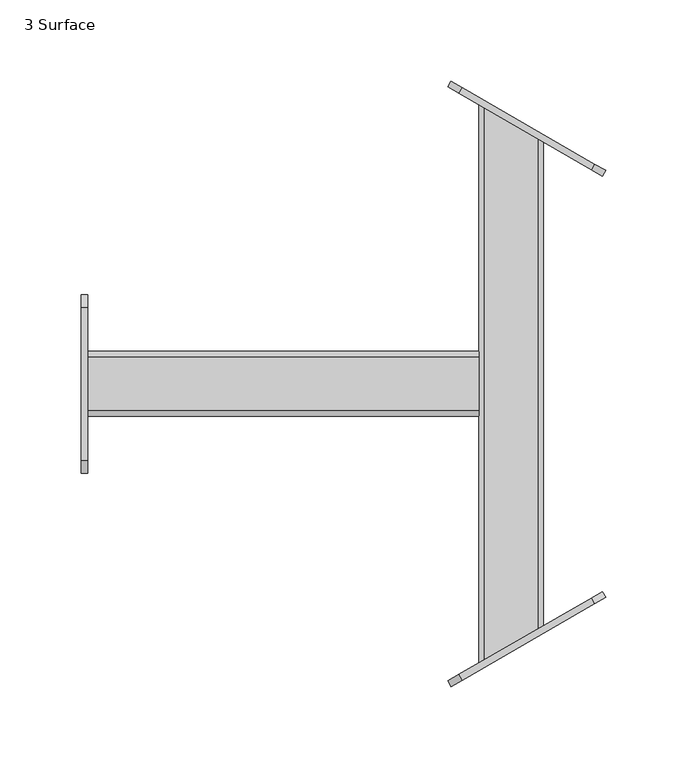
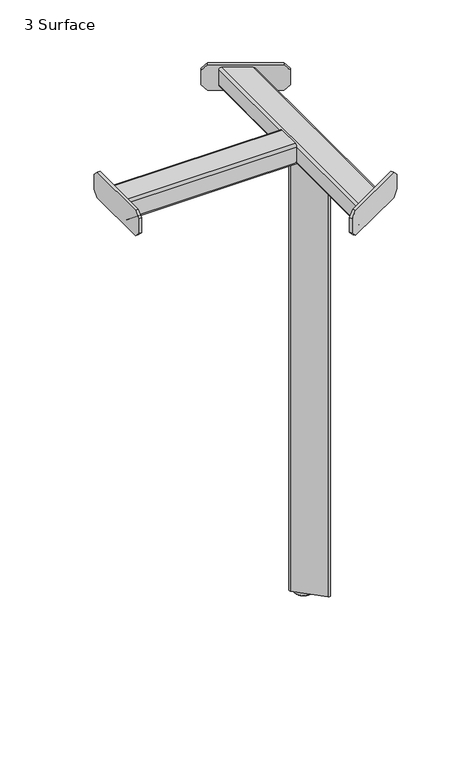
"""IFC4 building model written with IfcOpenShell, lengths in millimetres: furniture geometry, 3 Surface."""

import ifcopenshell
import ifcopenshell.guid

model = None  # the IFC model being written
_history = None  # IfcOwnerHistory: only IFC2X3 demands one
_inside = {}  # id of a spatial element -> (the spatial element, [elements in it])
_under = {}  # id of a project, library or spatial element -> (it, [spatial elements below it])
_declared = {}  # id of a project -> (the project, [libraries it declares])
_typed = {}  # id of a type object -> (the type object, [elements of that type])
_made_of = {}  # id of a material, layer set ... -> (it, [elements and type objects made of it])


def new_model(schema):
    """Start an empty IFC model of exactly this schema.

    Asked for "IFC4X3", IfcOpenShell would pick the latest addendum, in which some entities
    have other attributes; the version numbers below select the first issue.
    IFC2X3 requires an IfcOwnerHistory on every rooted entity: one is made here for all.
    """
    global model, _history
    if schema == "IFC4X3":
        model = ifcopenshell.file(schema_version=(4, 3, 0, 0))
    else:
        model = ifcopenshell.file(schema=schema)
    _inside.clear()
    _under.clear()
    _declared.clear()
    _typed.clear()
    _made_of.clear()
    _history = None
    if model.schema == "IFC2X3":
        org = make("IfcOrganization", Name="unknown")
        user = make(
            "IfcPersonAndOrganization",
            ThePerson=make("IfcPerson", FamilyName="unknown"),
            TheOrganization=org,
        )
        app = make(
            "IfcApplication",
            ApplicationDeveloper=org,
            Version="unknown",
            ApplicationFullName="unknown",
            ApplicationIdentifier="unknown",
        )
        _history = make(
            "IfcOwnerHistory",
            OwningUser=user,
            OwningApplication=app,
            ChangeAction="ADDED",
            CreationDate=0,
        )
    return model


def make(cls, **values):
    """One entity of the class cls with the attributes given. An attribute that is None is left unset."""
    return model.create_entity(
        cls, **{name: value for name, value in values.items() if value is not None}
    )


def rooted(cls, **values):
    """An entity with a GlobalId (a new one), such as an element, a storey or a relation."""
    return make(cls, GlobalId=ifcopenshell.guid.new(), OwnerHistory=_history, **values)


def si_unit(unit_type, name, prefix=None):
    """IfcSIUnit, for example si_unit("LENGTHUNIT", "METRE", prefix="MILLI")."""
    return make("IfcSIUnit", UnitType=unit_type, Prefix=prefix, Name=name)


def assignment(units):
    """IfcUnitAssignment: the units of a project."""
    return None if units is None else make("IfcUnitAssignment", Units=units)


def point(xyz):
    """IfcCartesianPoint."""
    return None if xyz is None else make("IfcCartesianPoint", Coordinates=xyz)


def direction(xyz):
    """IfcDirection."""
    return None if xyz is None else make("IfcDirection", DirectionRatios=xyz)


def frame(location, z_axis=None, x_axis=None):
    """IfcAxis2Placement3D, a coordinate frame: its origin and axes. An axis left out is left unset."""
    return make(
        "IfcAxis2Placement3D",
        Location=point(location),
        Axis=direction(z_axis),
        RefDirection=direction(x_axis),
    )


def frame_2d(location, x_axis=None):
    """IfcAxis2Placement2D, a coordinate frame in the plane: its origin and x axis."""
    return make(
        "IfcAxis2Placement2D", Location=point(location), RefDirection=direction(x_axis)
    )


def origin():
    """The frame at (0, 0, 0) with its axes left unset."""
    return frame((0.0, 0.0, 0.0))


def place(relative_to, where):
    """IfcLocalPlacement: puts the frame where relative to a parent placement (None: the world)."""
    return make(
        "IfcLocalPlacement", PlacementRelTo=relative_to, RelativePlacement=where
    )


def context(
    kind, dimensions, precision=None, world=None, true_north=None, identifier=None
):
    """IfcGeometricRepresentationContext, for example the 3D "Model" context."""
    return make(
        "IfcGeometricRepresentationContext",
        ContextIdentifier=identifier,
        ContextType=kind,
        CoordinateSpaceDimension=dimensions,
        Precision=precision,
        WorldCoordinateSystem=world,
        TrueNorth=true_north,
    )


def project(units=None, contexts=None):
    """IfcProject with its units and contexts."""
    return rooted(
        "IfcProject",
        Name="project",
        RepresentationContexts=contexts,
        UnitsInContext=assignment(units),
    )


def spatial(cls, under=None, at=None, **own):
    """A site, building, storey or space (cls), placed at a placement, below another one or the project."""
    s = rooted(cls, ObjectPlacement=at, **own)
    if under is not None:
        _under.setdefault(under.id(), (under, []))[1].append(s)
    return s


def polyline(points):
    """IfcPolyline through the points."""
    return make("IfcPolyline", Points=[point(p) for p in points])


def circle_curve(where, radius):
    """IfcCircle in the frame where."""
    return make("IfcCircle", Position=where, Radius=radius)


def ellipse_curve(where, semi_axis1, semi_axis2):
    """IfcEllipse in the frame where."""
    return make(
        "IfcEllipse", Position=where, SemiAxis1=semi_axis1, SemiAxis2=semi_axis2
    )


def trimmed(basis, trim1, trim2, sense, master):
    """IfcTrimmedCurve: the piece of a basis curve between two trims."""
    return make(
        "IfcTrimmedCurve",
        BasisCurve=basis,
        Trim1=trim1,
        Trim2=trim2,
        SenseAgreement=sense,
        MasterRepresentation=master,
    )


def segment(curve, same_sense, transition):
    """IfcCompositeCurveSegment."""
    return make(
        "IfcCompositeCurveSegment",
        Transition=transition,
        SameSense=same_sense,
        ParentCurve=curve,
    )


def composite_curve(segments, self_intersect=None):
    """IfcCompositeCurve: segments joined end to end."""
    return make("IfcCompositeCurve", Segments=segments, SelfIntersect=self_intersect)


def outline(outer, holes=None, kind="AREA"):
    """IfcArbitraryClosedProfileDef: a profile drawn as a closed curve; with holes, ...WithVoids."""
    if holes is None:
        return make("IfcArbitraryClosedProfileDef", ProfileType=kind, OuterCurve=outer)
    return make(
        "IfcArbitraryProfileDefWithVoids",
        ProfileType=kind,
        OuterCurve=outer,
        InnerCurves=holes,
    )


def extrude(swept, where, along, depth):
    """IfcExtrudedAreaSolid: the profile swept, set in the frame where, extruded along a direction by depth."""
    return make(
        "IfcExtrudedAreaSolid",
        SweptArea=swept,
        Position=where,
        ExtrudedDirection=direction(along),
        Depth=depth,
    )


def shape(context_of_items, identifier, shape_type, items):
    """IfcShapeRepresentation: the items that make up one representation, for example the "Body"."""
    return make(
        "IfcShapeRepresentation",
        ContextOfItems=context_of_items,
        RepresentationIdentifier=identifier,
        RepresentationType=shape_type,
        Items=items,
    )


def source(mapping_origin, context_of_items, identifier, shape_type, items):
    """IfcRepresentationMap: a shape defined once, which mapped items show again and again."""
    return make(
        "IfcRepresentationMap",
        MappingOrigin=mapping_origin,
        MappedRepresentation=shape(context_of_items, identifier, shape_type, items),
    )


def transform(
    local_origin,
    x_axis=None,
    y_axis=None,
    z_axis=None,
    scale=None,
    scale2=None,
    scale3=None,
    uniform=True,
):
    """IfcCartesianTransformationOperator3D, or its non-uniform kind. x_axis, y_axis, z_axis: its Axis1, 2, 3."""
    if uniform:
        return make(
            "IfcCartesianTransformationOperator3D",
            Axis1=direction(x_axis),
            Axis2=direction(y_axis),
            LocalOrigin=point(local_origin),
            Scale=scale,
            Axis3=direction(z_axis),
        )
    return make(
        "IfcCartesianTransformationOperator3DnonUniform",
        Axis1=direction(x_axis),
        Axis2=direction(y_axis),
        LocalOrigin=point(local_origin),
        Scale=scale,
        Axis3=direction(z_axis),
        Scale2=scale2,
        Scale3=scale3,
    )


def mapped(mapping_source, mapping_target):
    """IfcMappedItem: shows the shape of a source again, moved by a transform."""
    return make(
        "IfcMappedItem", MappingSource=mapping_source, MappingTarget=mapping_target
    )


def made_of(thing, what):
    """Note that an element or type object is made of a material, layer set ...; save() writes the relation."""
    if what is not None:
        _made_of.setdefault(what.id(), (what, []))[1].append(thing)
    return thing


def element(
    cls,
    number,
    at=None,
    inside=None,
    cuts=None,
    type_object=None,
    material=None,
    context=None,
    identifier="Body",
    shape_type=None,
    held_by="IfcProductDefinitionShape",
    body=None,
    shapes=None,
    **own,
):
    """One element of the class cls, such as IfcWall. Its Tag is "e" and its number.

    at: its placement. inside: the storey or other place that contains it. cuts: it is an
    opening in that element (IfcRelVoidsElement). A single representation is given by context,
    identifier, shape_type and body (its items); several are given by shapes. held_by: the class
    of the entity that holds the representations. save() writes the other relations.
    """
    e = rooted(cls, Tag="e%d" % number, ObjectPlacement=at, **own)
    if body is not None:
        shapes = [shape(context, identifier, shape_type, body)]
    if shapes is not None:
        e.Representation = make(held_by, Representations=shapes)
    if inside is not None:
        _inside.setdefault(inside.id(), (inside, []))[1].append(e)
    if cuts is not None:
        rooted(
            "IfcRelVoidsElement", RelatingBuildingElement=cuts, RelatedOpeningElement=e
        )
    if type_object is not None:
        _typed.setdefault(type_object.id(), (type_object, []))[1].append(e)
    return made_of(e, material)


def aggregate(whole, parts):
    """IfcRelAggregates: a whole, such as a stair, and the parts it consists of."""
    return rooted("IfcRelAggregates", RelatingObject=whole, RelatedObjects=parts)


def save(model, path):
    """Write the relations noted so far, then the file.

    IfcRelAggregates (storeys below a building ...), IfcRelContainedInSpatialStructure (elements
    in a storey), IfcRelDefinesByType, IfcRelAssociatesMaterial and IfcRelDeclares: one each for
    every whole, place, type object, material and project.
    """
    for whole, parts in _under.values():
        aggregate(whole, parts)
    for where, things in _inside.values():
        rooted(
            "IfcRelContainedInSpatialStructure",
            RelatedElements=things,
            RelatingStructure=where,
        )
    for kind, things in _typed.values():
        rooted("IfcRelDefinesByType", RelatedObjects=things, RelatingType=kind)
    for what, things in _made_of.values():
        rooted("IfcRelAssociatesMaterial", RelatedObjects=things, RelatingMaterial=what)
    for by, libraries in _declared.values():
        rooted("IfcRelDeclares", RelatingContext=by, RelatedDefinitions=libraries)
    model.write(path)


def plane_surface(at):
    """IfcPlane: the flat surface through the origin of the frame at, square to its z axis."""
    return make("IfcPlane", Position=at)


def cylinder_surface(at, radius):
    """IfcCylindricalSurface: all points at the distance radius from the z axis of the frame at."""
    return make("IfcCylindricalSurface", Position=at, Radius=radius)


def revolved_surface(curve, axis_point, axis_direction):
    """IfcSurfaceOfRevolution: the curve turned about the line through axis_point along axis_direction."""
    return make(
        "IfcSurfaceOfRevolution",
        SweptCurve=make("IfcArbitraryOpenProfileDef", ProfileType="CURVE", Curve=curve),
        AxisPosition=make("IfcAxis1Placement", Location=point(axis_point), Axis=direction(axis_direction)),
    )


def advanced_brep(points, edges, surfaces, faces):
    """IfcAdvancedBrep: a solid bounded by faces that lie on surfaces and meet in shared edges.

    An edge is (start, end): straight between two places in points (the first is 0);
    or (start, end, curve); or (start, end, curve, False) where it runs against its curve.
    A face is (place in surfaces, loops), or (place, loops, False) where it looks against
    its surface's normal. A loop lists edges by number (the first is 1), with a minus sign
    where the edge is run from its end to its start. The first loop is the outer one.
    """
    corners = [point(p) for p in points]
    vertices = [make("IfcVertexPoint", VertexGeometry=c) for c in corners]
    made = []
    for start, end, *more in edges:
        made.append(
            make(
                "IfcEdgeCurve",
                EdgeStart=vertices[start],
                EdgeEnd=vertices[end],
                EdgeGeometry=more[0] if more else make("IfcPolyline", Points=[corners[start], corners[end]]),
                SameSense=more[1] if len(more) > 1 else True,
            )
        )
    hull = []
    for where, loops, *sense in faces:
        bounds = []
        for j, loop in enumerate(loops):
            ring = [make("IfcOrientedEdge", EdgeElement=made[abs(k) - 1], Orientation=k > 0) for k in loop]
            bounds.append(
                make(
                    "IfcFaceOuterBound" if j == 0 else "IfcFaceBound",
                    Bound=make("IfcEdgeLoop", EdgeList=ring),
                    Orientation=True,
                )
            )
        hull.append(make("IfcAdvancedFace", Bounds=bounds, FaceSurface=surfaces[where], SameSense=sense[0] if sense else True))
    return make("IfcAdvancedBrep", Outer=make("IfcClosedShell", CfsFaces=hull))


def furniture_3_surface_70acf9ff(model_context):
    return source(origin(), model_context, "Body", "SolidModel", [
        advanced_brep(
        [(70.27168, -169.9628735, 688.15), (103.2557739, -150.9195033, 688.15), (103.2557739, 150.9675564, 688.15), (70.27168, 170.029826, 688.15), (70.27168, 170.029826, 658.15), (103.2557739, 150.9675564, 658.15), (103.2557739, -150.9195033, 658.15), (70.27168, -169.9628735, 658.15), (66.77168, -171.9835989, 684.65), (66.77168, -171.9835989, 661.65), (106.7557739, -148.8987779, 661.65), (106.7557739, -148.8987779, 684.65), (106.7557739, 148.9448256, 661.65), (106.7557739, 148.9448256, 684.65), (66.77168, 172.0525568, 661.65), (66.77168, 172.0525568, 684.65)],
        [
            (0, 1),
            (1, 2),
            (2, 3),
            (3, 0),
            (4, 5),
            (5, 6),
            (6, 7),
            (7, 4),
            (0, 8, ellipse_curve(frame((70.7437286, -169.6903362, 684.1779514), z_axis=(0.4999998963012805, -0.8660254636549141, 0.0), x_axis=(-0.8660254636549141, -0.4999998963012802, 0.0)), 4.6188018, 4.0)),
            (8, 9),
            (9, 7, ellipse_curve(frame((70.7437286, -169.6903362, 662.1220486), z_axis=(0.4999998963012805, -0.8660254636549141, 0.0), x_axis=(-0.8660254636549141, -0.4999998963012802, 0.0)), 4.6188018, 4.0)),
            (6, 10, ellipse_curve(frame((102.7837253, -151.1920406, 662.1220486), z_axis=(0.4999998963012805, -0.8660254636549141, 0.0), x_axis=(-0.8660254636549141, -0.4999998963012802, 0.0)), 4.6188018, 4.0)),
            (10, 11),
            (11, 1, ellipse_curve(frame((102.7837253, -151.1920406, 684.1779514), z_axis=(0.4999998963012805, -0.8660254636549141, 0.0), x_axis=(-0.8660254636549141, -0.4999998963012802, 0.0)), 4.6188018, 4.0)),
            (10, 12),
            (12, 13),
            (13, 11),
            (2, 13, ellipse_curve(frame((102.7837253, 151.2403642, 684.1779514), z_axis=(0.5003719224883473, 0.865810567725594, 0.0), x_axis=(0.8658105677255941, -0.5003719224883475, 0.0)), 4.6199482, 4.0)),
            (12, 5, ellipse_curve(frame((102.7837253, 151.2403642, 662.1220486), z_axis=(0.5003719224883473, 0.865810567725594, 0.0), x_axis=(0.8658105677255941, -0.5003719224883475, 0.0)), 4.6199482, 4.0)),
            (4, 14, ellipse_curve(frame((70.7437286, 169.7570182, 662.1220486), z_axis=(0.5003719224883473, 0.865810567725594, 0.0), x_axis=(0.8658105677255941, -0.5003719224883475, 0.0)), 4.6199482, 4.0)),
            (14, 15),
            (15, 3, ellipse_curve(frame((70.7437286, 169.7570182, 684.1779514), z_axis=(0.5003719224883473, 0.865810567725594, 0.0), x_axis=(0.8658105677255941, -0.5003719224883475, 0.0)), 4.6199482, 4.0)),
            (8, 15),
            (14, 9),
        ],
        [
            plane_surface(frame((106.7557739, -148.8987779, 688.15), z_axis=(0.0, 0.0, 1.0), x_axis=(0.8660254636549141, 0.4999998963012805, 0.0))),
            plane_surface(frame((106.7557739, -148.8987779, 658.15), z_axis=(0.0, 0.0, -1.0), x_axis=(-0.8660254636549141, -0.4999998963012805, 0.0))),
            plane_surface(frame((66.77168, -171.9835989, 688.15), z_axis=(0.4999998963012805, -0.8660254636549141, 0.0), x_axis=(0.0, 0.0, -1.0))),
            plane_surface(frame((106.7557739, -148.8987779, 688.15), z_axis=(1.0, 0.0, 0.0), x_axis=(0.0, 0.0, -1.0))),
            plane_surface(frame((106.7557739, 148.9448256, 688.15), z_axis=(0.5003719224883473, 0.865810567725594, 0.0), x_axis=(0.0, 0.0, -1.0))),
            plane_surface(frame((66.77168, 172.0525568, 688.15), z_axis=(-1.0, 0.0, 0.0), x_axis=(0.0, 0.0, -1.0))),
            cylinder_surface(frame((102.7837253, -171.9835989, 684.1779514), z_axis=(0.0, -0.9999999999999999, 0.0), x_axis=(-0.9999999999999999, 0.0, 0.0)), 4.0),
            cylinder_surface(frame((70.7437286, 0.0, 684.1779514), z_axis=(0.0, -0.9999999999999999, 0.0), x_axis=(-0.9999999999999999, 0.0, 0.0)), 4.0),
            cylinder_surface(frame((102.7837253, 0.0, 662.1220486), z_axis=(0.0, -0.9999999999999999, 0.0), x_axis=(-0.9999999999999999, 0.0, 0.0)), 4.0),
            cylinder_surface(frame((70.7437286, 0.0, 662.1220486), z_axis=(0.0, -0.9999999999999999, 0.0), x_axis=(-0.9999999999999999, 0.0, 0.0)), 4.0),
        ],
        [
            (0, [[1, 2, 3, 4]]),
            (1, [[5, 6, 7, 8]]),
            (2, [[-1, 9, 10, 11, -7, 12, 13, 14]]),
            (3, [[-13, 15, 16, 17]]),
            (4, [[-3, 18, -16, 19, -5, 20, 21, 22]]),
            (5, [[-10, 23, -21, 24]]),
            (6, [[-2, -14, -17, -18]]),
            (7, [[-4, -22, -23, -9]]),
            (8, [[-6, -19, -15, -12]]),
            (9, [[-8, -11, -24, -20]]),
        ],
    ),
        extrude(outline(polyline([(0.0, -102.0018544), (0.0, -8.0018544), (8.0018544, 0.0), (29.9981456, 0.0), (38.0, -8.0018545), (38.0, -101.9851069), (30.0, -109.9851069), (7.9832525, -109.9851069), (0.0, -102.0018544)])), frame((47.8078499, 182.9658468, 692.15), z_axis=(0.500049944957642, 0.8659965661293694, 0.0), x_axis=(0.0, 0.0, -1.0)), (0.0, 0.0, 1.0), 4.0036309),
        extrude(outline(polyline([(-46.997428, 692.15), (47.002572, 692.15), (55.0035901, 684.1489819), (55.0035901, 662.1510181), (47.002572, 654.15), (-46.997428, 654.15), (-54.9964099, 662.1489819), (-54.9964099, 684.1510181), (-46.997428, 692.15)])), frame((-178.2280805, 0.0, 0.0), z_axis=(1.0, 0.0, 0.0), x_axis=(0.0, 1.0, 0.0)), (0.0, 0.0, 1.0), 4.0),
        extrude(outline(polyline([(0.0, -101.9992357), (0.0, -8.0000001), (8.0, 0.0), (30.0008796, 0.0), (38.0, -7.9991204), (38.0, -101.9991204), (29.9991204, -110.0), (8.0007642, -110.0), (0.0, -101.9992357)])), frame((49.7936027, -186.4259727, 692.15), z_axis=(-0.5000000000000029, 0.866025403784437, 0.0), x_axis=(0.0, 0.0, -1.0)), (0.0, 0.0, 1.0), 4.0036309),
        advanced_brep(
        [(87.8983759, -0.5282391, 31.5), (91.3388538, -2.5686096, 31.5), (84.457898, 1.5121314, 31.5), (77.5769422, 5.5928725, 0.0), (98.2198095, -6.6493506, 0.0), (87.8983759, -0.5282391, 0.0), (77.0482592, 5.9064072, 0.6146622), (98.7484925, -6.9628853, 0.6146622), (77.0482592, 5.9064072, 5.8853378), (98.7484925, -6.9628853, 5.8853378), (77.5769422, 5.5928725, 6.5), (98.2198095, -6.6493506, 6.5), (83.5977785, 2.0222241, 6.5), (92.1989732, -3.0787022, 6.5), (84.457578, 1.5123212, 7.9992213), (91.3391737, -2.5687993, 7.9992213), (84.457578, 1.5123212, 10.5), (91.3391737, -2.5687993, 10.5), (83.1636229, 2.2796994, 10.5), (92.6331288, -3.3361776, 10.5), (83.1636229, 2.2796994, 11.5), (92.6331288, -3.3361776, 11.5), (83.8492532, 1.8730873, 11.5), (91.9474985, -2.9295655, 11.5), (83.8492532, 1.8730873, 15.7675414), (91.9474985, -2.9295655, 15.7675414), (83.3067409, 2.1948235, 16.2783051), (92.4900109, -3.2513017, 16.2783051), (83.3067409, 2.1948235, 19.0027597), (92.4900109, -3.2513017, 19.0027597), (83.8492532, 1.8730873, 19.5135234), (91.9474985, -2.9295655, 19.5135234), (83.8492532, 1.8730873, 21.2563441), (91.9474985, -2.9295655, 21.2563441), (84.457898, 1.5121314, 21.6014774), (91.3388538, -2.5686096, 21.6014774)],
        [
            (0, 1),
            (1, 2, circle_curve(frame((87.8983759, -0.5282391, 31.5), z_axis=(0.0, 0.0, 1.0), x_axis=(0.8601194733646796, -0.5100926303514549, 0.0)), 4.0)),
            (2, 0),
            (2, 1, circle_curve(frame((87.8983759, -0.5282391, 31.5), z_axis=(0.0, 0.0, 1.0), x_axis=(0.8601194733646796, -0.5100926303514549, 0.0)), 4.0)),
            (3, 4, circle_curve(frame((87.8983759, -0.5282391, 0.0), z_axis=(0.0, 0.0, -1.0), x_axis=(0.8601194733646796, -0.5100926303514549, 0.0)), 12.0)),
            (4, 5),
            (5, 3),
            (4, 3, circle_curve(frame((87.8983759, -0.5282391, 0.0), z_axis=(0.0, 0.0, -1.0), x_axis=(0.8601194733646796, -0.5100926303514549, 0.0)), 12.0)),
            (6, 7, circle_curve(frame((87.8983759, -0.5282391, 0.6146622), z_axis=(0.0, 0.0, -1.0), x_axis=(0.8601194733646796, -0.5100926303514549, 0.0)), 12.6146622)),
            (7, 4),
            (3, 6),
            (7, 6, circle_curve(frame((87.8983759, -0.5282391, 0.6146622), z_axis=(0.0, 0.0, -1.0), x_axis=(0.8601194733646796, -0.5100926303514549, 0.0)), 12.6146622)),
            (8, 9, circle_curve(frame((87.8983759, -0.5282391, 5.8853378), z_axis=(0.0, 0.0, -1.0), x_axis=(0.8601194733646796, -0.5100926303514549, 0.0)), 12.6146622)),
            (9, 7),
            (6, 8),
            (9, 8, circle_curve(frame((87.8983759, -0.5282391, 5.8853378), z_axis=(0.0, 0.0, -1.0), x_axis=(0.8601194733646796, -0.5100926303514549, 0.0)), 12.6146622)),
            (10, 11, circle_curve(frame((87.8983759, -0.5282391, 6.5), z_axis=(0.0, 0.0, -1.0), x_axis=(0.8601194733646796, -0.5100926303514549, 0.0)), 12.0)),
            (11, 9),
            (8, 10),
            (11, 10, circle_curve(frame((87.8983759, -0.5282391, 6.5), z_axis=(0.0, 0.0, -1.0), x_axis=(0.8601194733646796, -0.5100926303514549, 0.0)), 12.0)),
            (12, 13, circle_curve(frame((87.8983759, -0.5282391, 6.5), z_axis=(0.0, 0.0, -1.0), x_axis=(0.8601194733646796, -0.5100926303514549, 0.0)), 5.0)),
            (13, 11),
            (10, 12),
            (13, 12, circle_curve(frame((87.8983759, -0.5282391, 6.5), z_axis=(0.0, 0.0, -1.0), x_axis=(0.8601194733646796, -0.5100926303514549, 0.0)), 5.0)),
            (14, 15, circle_curve(frame((87.8983759, -0.5282391, 7.9992213), z_axis=(0.0, 0.0, -1.0), x_axis=(0.8601194733646796, -0.5100926303514549, 0.0)), 4.000372)),
            (15, 13),
            (12, 14),
            (15, 14, circle_curve(frame((87.8983759, -0.5282391, 7.9992213), z_axis=(0.0, 0.0, -1.0), x_axis=(0.8601194733646796, -0.5100926303514549, 0.0)), 4.000372)),
            (16, 17, circle_curve(frame((87.8983759, -0.5282391, 10.5), z_axis=(0.0, 0.0, -1.0), x_axis=(0.8601194733646796, -0.5100926303514549, 0.0)), 4.000372)),
            (17, 15),
            (14, 16),
            (17, 16, circle_curve(frame((87.8983759, -0.5282391, 10.5), z_axis=(0.0, 0.0, -1.0), x_axis=(0.8601194733646796, -0.5100926303514549, 0.0)), 4.000372)),
            (18, 19, circle_curve(frame((87.8983759, -0.5282391, 10.5), z_axis=(0.0, 0.0, -1.0), x_axis=(0.8601194733646796, -0.5100926303514549, 0.0)), 5.5047619)),
            (19, 17),
            (16, 18),
            (19, 18, circle_curve(frame((87.8983759, -0.5282391, 10.5), z_axis=(0.0, 0.0, -1.0), x_axis=(0.8601194733646796, -0.5100926303514549, 0.0)), 5.5047619)),
            (20, 21, circle_curve(frame((87.8983759, -0.5282391, 11.5), z_axis=(0.0, 0.0, -1.0), x_axis=(0.8601194733646796, -0.5100926303514549, 0.0)), 5.5047619)),
            (21, 19),
            (18, 20),
            (21, 20, circle_curve(frame((87.8983759, -0.5282391, 11.5), z_axis=(0.0, 0.0, -1.0), x_axis=(0.8601194733646796, -0.5100926303514549, 0.0)), 5.5047619)),
            (22, 23, circle_curve(frame((87.8983759, -0.5282391, 11.5), z_axis=(0.0, 0.0, -1.0), x_axis=(0.8601194733646796, -0.5100926303514549, 0.0)), 4.7076281)),
            (23, 21),
            (20, 22),
            (23, 22, circle_curve(frame((87.8983759, -0.5282391, 11.5), z_axis=(0.0, 0.0, -1.0), x_axis=(0.8601194733646796, -0.5100926303514549, 0.0)), 4.7076281)),
            (24, 25, circle_curve(frame((87.8983759, -0.5282391, 15.7675414), z_axis=(0.0, 0.0, -1.0), x_axis=(0.8601194733646796, -0.5100926303514549, 0.0)), 4.7076281)),
            (25, 23),
            (22, 24),
            (25, 24, circle_curve(frame((87.8983759, -0.5282391, 15.7675414), z_axis=(0.0, 0.0, -1.0), x_axis=(0.8601194733646796, -0.5100926303514549, 0.0)), 4.7076281)),
            (26, 27, circle_curve(frame((87.8983759, -0.5282391, 16.2783051), z_axis=(0.0, 0.0, -1.0), x_axis=(0.8601194733646796, -0.5100926303514549, 0.0)), 5.3383688)),
            (27, 25),
            (24, 26),
            (27, 26, circle_curve(frame((87.8983759, -0.5282391, 16.2783051), z_axis=(0.0, 0.0, -1.0), x_axis=(0.8601194733646796, -0.5100926303514549, 0.0)), 5.3383688)),
            (28, 29, circle_curve(frame((87.8983759, -0.5282391, 19.0027597), z_axis=(0.0, 0.0, -1.0), x_axis=(0.8601194733646796, -0.5100926303514549, 0.0)), 5.3383688)),
            (29, 27),
            (26, 28),
            (29, 28, circle_curve(frame((87.8983759, -0.5282391, 19.0027597), z_axis=(0.0, 0.0, -1.0), x_axis=(0.8601194733646796, -0.5100926303514549, 0.0)), 5.3383688)),
            (30, 31, circle_curve(frame((87.8983759, -0.5282391, 19.5135234), z_axis=(0.0, 0.0, -1.0), x_axis=(0.8601194733646796, -0.5100926303514549, 0.0)), 4.7076281)),
            (31, 29),
            (28, 30),
            (31, 30, circle_curve(frame((87.8983759, -0.5282391, 19.5135234), z_axis=(0.0, 0.0, -1.0), x_axis=(0.8601194733646796, -0.5100926303514549, 0.0)), 4.7076281)),
            (32, 33, circle_curve(frame((87.8983759, -0.5282391, 21.2563441), z_axis=(0.0, 0.0, -1.0), x_axis=(0.8601194733646796, -0.5100926303514549, 0.0)), 4.7076281)),
            (33, 31),
            (30, 32),
            (33, 32, circle_curve(frame((87.8983759, -0.5282391, 21.2563441), z_axis=(0.0, 0.0, -1.0), x_axis=(0.8601194733646796, -0.5100926303514549, 0.0)), 4.7076281)),
            (34, 35, circle_curve(frame((87.8983759, -0.5282391, 21.6014774), z_axis=(0.0, 0.0, -1.0), x_axis=(0.8601194733646796, -0.5100926303514549, 0.0)), 4.0)),
            (35, 33),
            (32, 34),
            (35, 34, circle_curve(frame((87.8983759, -0.5282391, 21.6014774), z_axis=(0.0, 0.0, -1.0), x_axis=(0.8601194733646796, -0.5100926303514549, 0.0)), 4.0)),
            (1, 35),
            (34, 2),
        ],
        [
            plane_surface(frame((87.8983759, -0.5282391, 31.5), z_axis=(0.0, 0.0, 1.0), x_axis=(0.8601194733646796, -0.5100926303514549, 0.0))),
            plane_surface(frame((87.8983759, -0.5282391, 0.0), z_axis=(0.0, 0.0, -1.0), x_axis=(0.8601194733646796, -0.5100926303514549, 0.0))),
            revolved_surface(polyline([(98.2198095, -6.6493506, 0.0), (98.7484925, -6.9628853, 0.6146622)]), (87.8983759, -0.5282391, 31.5), (0.0, 0.0, 1.0)),
            cylinder_surface(frame((87.8983759, -0.5282391, 31.5), z_axis=(0.0, 0.0, 1.0), x_axis=(0.8601194733646796, -0.5100926303514549, 0.0)), 12.6146622),
            revolved_surface(polyline([(98.7484925, -6.9628853, 5.8853378), (98.2198095, -6.6493506, 6.5)]), (87.8983759, -0.5282391, 31.5), (0.0, 0.0, 1.0)),
            plane_surface(frame((87.8983759, -0.5282391, 6.5), z_axis=(0.0, 0.0, 1.0), x_axis=(0.8601194733646796, -0.5100926303514549, 0.0))),
            revolved_surface(polyline([(92.1989732, -3.0787022, 6.5), (91.3391737, -2.5687993, 7.9992213)]), (87.8983759, -0.5282391, 31.5), (0.0, 0.0, 1.0)),
            cylinder_surface(frame((87.8983759, -0.5282391, 31.5), z_axis=(0.0, 0.0, 1.0), x_axis=(0.8601194733646796, -0.5100926303514549, 0.0)), 4.000372),
            plane_surface(frame((87.8983759, -0.5282391, 10.5), z_axis=(0.0, 0.0, -1.0), x_axis=(0.8601194733646796, -0.5100926303514549, 0.0))),
            cylinder_surface(frame((87.8983759, -0.5282391, 31.5), z_axis=(0.0, 0.0, 1.0), x_axis=(0.8601194733646796, -0.5100926303514549, 0.0)), 5.5047619),
            plane_surface(frame((87.8983759, -0.5282391, 11.5), z_axis=(0.0, 0.0, 1.0), x_axis=(0.8601194733646796, -0.5100926303514549, 0.0))),
            cylinder_surface(frame((87.8983759, -0.5282391, 31.5), z_axis=(0.0, 0.0, 1.0), x_axis=(0.8601194733646796, -0.5100926303514549, 0.0)), 4.7076281),
            revolved_surface(polyline([(91.9474985, -2.9295655, 15.7675414), (92.4900109, -3.2513017, 16.2783051)]), (87.8983759, -0.5282391, 31.5), (0.0, 0.0, 1.0)),
            cylinder_surface(frame((87.8983759, -0.5282391, 31.5), z_axis=(0.0, 0.0, 1.0), x_axis=(0.8601194733646796, -0.5100926303514549, 0.0)), 5.3383688),
            revolved_surface(polyline([(92.4900109, -3.2513017, 19.0027597), (91.9474985, -2.9295655, 19.5135234)]), (87.8983759, -0.5282391, 31.5), (0.0, 0.0, 1.0)),
            revolved_surface(polyline([(91.9474985, -2.9295655, 21.2563441), (91.3388538, -2.5686096, 21.6014774)]), (87.8983759, -0.5282391, 31.5), (0.0, 0.0, 1.0)),
            cylinder_surface(frame((87.8983759, -0.5282391, 31.5), z_axis=(0.0, 0.0, 1.0), x_axis=(0.8601194733646796, -0.5100926303514549, 0.0)), 4.0),
        ],
        [
            (0, [[1, 2, 3]]),
            (0, [[-3, 4, -1]]),
            (1, [[5, 6, 7]]),
            (1, [[8, -7, -6]]),
            (2, [[9, 10, -5, 11]]),
            (2, [[12, -11, -8, -10]]),
            (3, [[13, 14, -9, 15]]),
            (3, [[16, -15, -12, -14]]),
            (4, [[17, 18, -13, 19]]),
            (4, [[20, -19, -16, -18]]),
            (5, [[21, 22, -17, 23]]),
            (5, [[24, -23, -20, -22]]),
            (6, [[25, 26, -21, 27]]),
            (6, [[28, -27, -24, -26]]),
            (7, [[29, 30, -25, 31]]),
            (7, [[32, -31, -28, -30]]),
            (8, [[33, 34, -29, 35]]),
            (8, [[36, -35, -32, -34]]),
            (9, [[37, 38, -33, 39]]),
            (9, [[40, -39, -36, -38]]),
            (10, [[41, 42, -37, 43]]),
            (10, [[44, -43, -40, -42]]),
            (11, [[45, 46, -41, 47]]),
            (11, [[48, -47, -44, -46]]),
            (12, [[49, 50, -45, 51]]),
            (12, [[52, -51, -48, -50]]),
            (13, [[53, 54, -49, 55]]),
            (13, [[56, -55, -52, -54]]),
            (14, [[57, 58, -53, 59]]),
            (14, [[60, -59, -56, -58]]),
            (11, [[61, 62, -57, 63]]),
            (11, [[64, -63, -60, -62]]),
            (15, [[65, 66, -61, 67]]),
            (15, [[68, -67, -64, -66]]),
            (16, [[-2, 69, -65, 70]]),
            (16, [[-4, -70, -68, -69]]),
        ],
    ),
        extrude(outline(composite_curve([segment(trimmed(circle_curve(frame_2d((16.5034748, 661.65)), 3.5), [point((20.0034748, 661.65))], [point((16.5034748, 658.15))], False, "CARTESIAN"), True, "CONTINUOUS"), segment(polyline([(16.5034748, 658.15), (-16.5034748, 658.15)]), True, "CONTINUOUS"), segment(trimmed(circle_curve(frame_2d((-16.5034748, 661.6430505)), 3.4930505), [point((-16.5034748, 658.15))], [point((-19.9965252, 661.6430505))], False, "CARTESIAN"), True, "CONTINUOUS"), segment(polyline([(-19.9965252, 661.6430505), (-19.9965252, 684.6569495)]), True, "CONTINUOUS"), segment(trimmed(circle_curve(frame_2d((-16.5034748, 684.6569495)), 3.4930505), [point((-19.9965252, 684.6569495))], [point((-16.5034748, 688.15))], False, "CARTESIAN"), True, "CONTINUOUS"), segment(polyline([(-16.5034748, 688.15), (16.5034748, 688.15)]), True, "CONTINUOUS"), segment(trimmed(circle_curve(frame_2d((16.5034748, 684.65)), 3.5), [point((16.5034748, 688.15))], [point((20.0034748, 684.65))], False, "CARTESIAN"), True, "CONTINUOUS"), segment(polyline([(20.0034748, 684.65), (20.0034748, 661.65)]), True, "CONTINUOUS")], self_intersect=False)), frame((-174.2280805, 0.0, 0.0), z_axis=(1.0, 0.0, 0.0), x_axis=(0.0, 1.0, 0.0)), (0.0, 0.0, 1.0), 240.9997605),
        extrude(outline(composite_curve([segment(polyline([(68.8723126, 2.2786506), (102.1475732, 35.5519921)]), True, "CONTINUOUS"), segment(trimmed(circle_curve(frame_2d((104.0567064, 33.6427487)), 2.7), [point((102.1475732, 35.5519921))], [point((106.7567064, 33.6426709))], False, "CARTESIAN"), True, "CONTINUOUS"), segment(polyline([(106.7567064, 33.6426709), (106.7547726, -33.4191011)]), True, "CONTINUOUS"), segment(trimmed(circle_curve(frame_2d((104.0657872, -33.6628555)), 2.7000108), [point((106.7547726, -33.4191011))], [point((102.1565362, -35.5719964))], False, "CARTESIAN"), True, "CONTINUOUS"), segment(polyline([(102.1565362, -35.5719964), (68.5944867, -2.0080112)]), True, "CONTINUOUS"), segment(trimmed(circle_curve(frame_2d((70.2775825, 0.0352385)), 2.6472025), [point((68.5944867, -2.0080112))], [point((68.8723126, 2.2786506))], False, "CARTESIAN"), True, "CONTINUOUS")], self_intersect=False)), frame((0.0, 0.0, 6.5), z_axis=(0.0, 0.0, 1.0), x_axis=(1.0, 0.0, 0.0)), (0.0, 0.0, 1.0), 651.65),
    ])


if __name__ == "__main__":
    model = new_model("IFC4")
    model_context = context("Model", 3, world=origin())
    ifc_project = project(units=[si_unit("LENGTHUNIT", "METRE", prefix="MILLI")], contexts=[model_context])
    site = spatial("IfcSite", under=ifc_project)
    building = spatial("IfcBuilding", under=site)
    placement = place(None, origin())
    furniture_3_surface_shape = furniture_3_surface_70acf9ff(model_context)
    element("IfcFurniture", 1, ObjectType="3 Surface", at=placement, inside=building, context=model_context, shape_type="MappedRepresentation", body=[
        mapped(furniture_3_surface_shape, transform((0.0, 0.0, 0.0), x_axis=(1.0, 0.0, 0.0), y_axis=(0.0, 1.0, 0.0), z_axis=(0.0, 0.0, 1.0))),
    ])
    save(model, "model.ifc")
